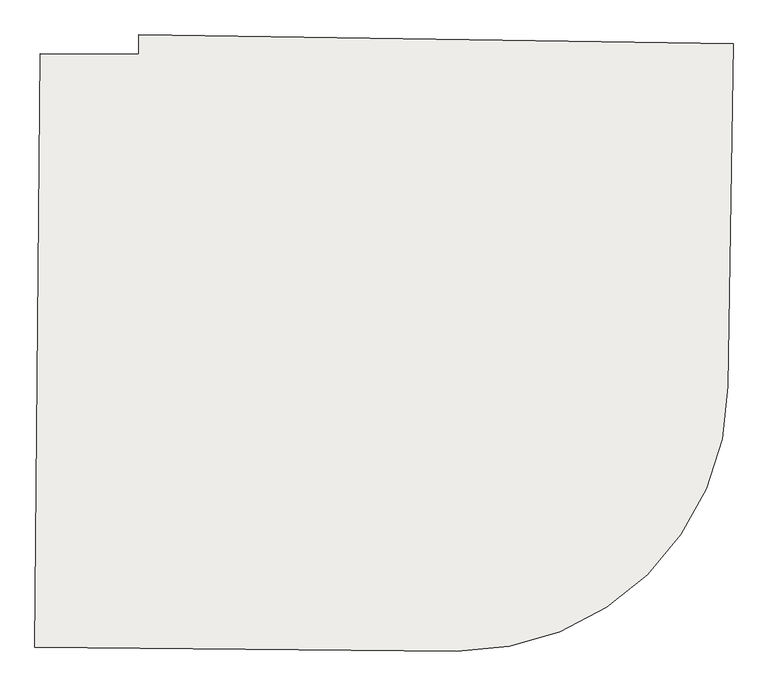
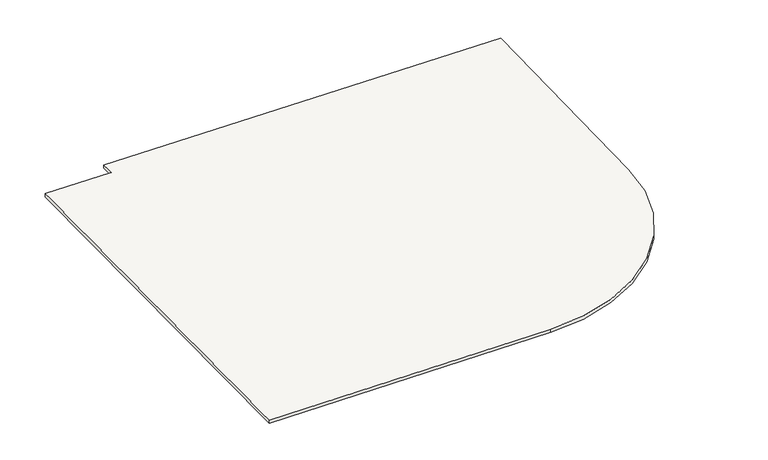
"""IFC4 building model written with IfcOpenShell, lengths in millimetres: slab geometry."""

from ifc_helpers import new_model, si_unit, point, frame, frame_2d, origin, place, context, project, spatial, polyline, circle_curve, trimmed, segment, composite_curve, outline, extrude, source, transform, mapped, element, save


def slab_6d63adf5(model_context):
    return source(origin(), model_context, "Body", "SweptSolid", [
        extrude(outline(composite_curve([segment(polyline([(-135591.5983264, 83209.8790313), (-135612.3558327, 81824.3356796)]), True, "CONTINUOUS"), segment(trimmed(circle_curve(frame_2d((-136697.2340917, 81840.5887742)), 1085.0), [point((-135612.3558327, 81824.3356796))], [point((-136706.7023827, 80755.6300877))], False, "CARTESIAN"), True, "CONTINUOUS"), segment(polyline([(-136706.7023827, 80755.6300877), (-138411.1313478, 80770.5044139), (-138390.1876626, 83170.4130293), (-137992.5108979, 83166.9425568), (-137991.3290376, 83245.8305771), (-135591.5983264, 83209.8790313)]), True, "CONTINUOUS")], self_intersect=False)), frame((0.0, 0.0, 590.1666667), z_axis=(0.0, 0.0, 1.0), x_axis=(1.0, 0.0, 0.0)), (0.0, 0.0, 1.0), 20.0),
    ])


if __name__ == "__main__":
    model = new_model("IFC4")
    model_context = context("Model", 3, world=origin())
    ifc_project = project(units=[si_unit("LENGTHUNIT", "METRE", prefix="MILLI")], contexts=[model_context])
    site = spatial("IfcSite", under=ifc_project)
    building = spatial("IfcBuilding", under=site)
    placement = place(None, origin())
    slab_shape = slab_6d63adf5(model_context)
    element("IfcSlab", 1, at=placement, inside=building, context=model_context, shape_type="MappedRepresentation", body=[
        mapped(slab_shape, transform((0.0, 0.0, 0.0), x_axis=(1.0, 0.0, 0.0), y_axis=(0.0, 1.0, 0.0), z_axis=(0.0, 0.0, 1.0))),
    ])
    save(model, "model.ifc")
